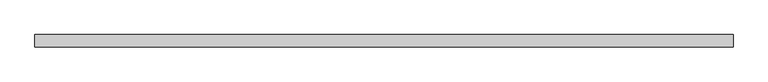
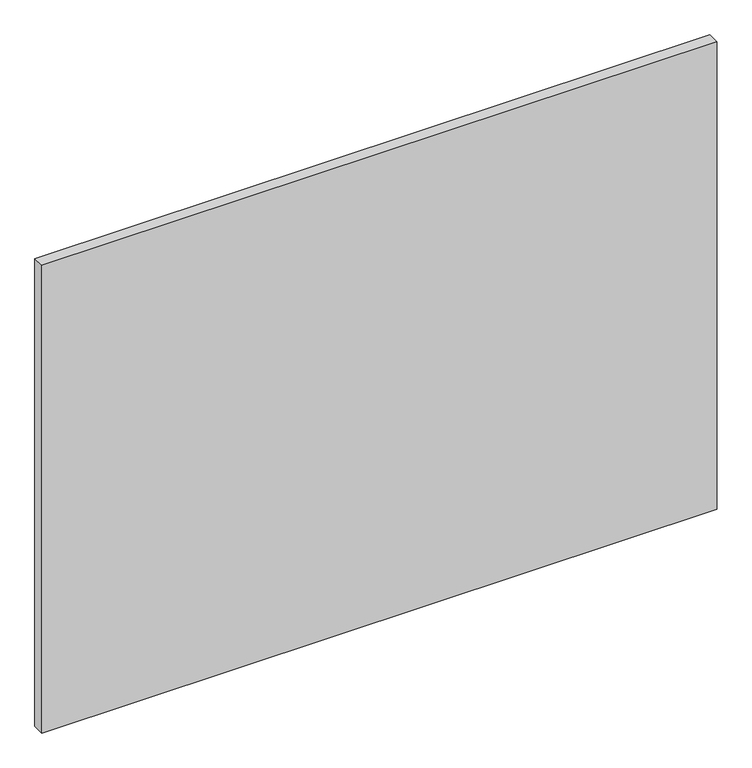
"""IFC4 building model written with IfcOpenShell, lengths in millimetres: plate geometry."""

import ifcopenshell
import ifcopenshell.guid

model = None  # the IFC model being written
_history = None  # IfcOwnerHistory: only IFC2X3 demands one
_inside = {}  # id of a spatial element -> (the spatial element, [elements in it])
_under = {}  # id of a project, library or spatial element -> (it, [spatial elements below it])
_declared = {}  # id of a project -> (the project, [libraries it declares])
_typed = {}  # id of a type object -> (the type object, [elements of that type])
_made_of = {}  # id of a material, layer set ... -> (it, [elements and type objects made of it])


def new_model(schema):
    """Start an empty IFC model of exactly this schema.

    Asked for "IFC4X3", IfcOpenShell would pick the latest addendum, in which some entities
    have other attributes; the version numbers below select the first issue.
    IFC2X3 requires an IfcOwnerHistory on every rooted entity: one is made here for all.
    """
    global model, _history
    if schema == "IFC4X3":
        model = ifcopenshell.file(schema_version=(4, 3, 0, 0))
    else:
        model = ifcopenshell.file(schema=schema)
    _inside.clear()
    _under.clear()
    _declared.clear()
    _typed.clear()
    _made_of.clear()
    _history = None
    if model.schema == "IFC2X3":
        org = make("IfcOrganization", Name="unknown")
        user = make(
            "IfcPersonAndOrganization",
            ThePerson=make("IfcPerson", FamilyName="unknown"),
            TheOrganization=org,
        )
        app = make(
            "IfcApplication",
            ApplicationDeveloper=org,
            Version="unknown",
            ApplicationFullName="unknown",
            ApplicationIdentifier="unknown",
        )
        _history = make(
            "IfcOwnerHistory",
            OwningUser=user,
            OwningApplication=app,
            ChangeAction="ADDED",
            CreationDate=0,
        )
    return model


def make(cls, **values):
    """One entity of the class cls with the attributes given. An attribute that is None is left unset."""
    return model.create_entity(
        cls, **{name: value for name, value in values.items() if value is not None}
    )


def rooted(cls, **values):
    """An entity with a GlobalId (a new one), such as an element, a storey or a relation."""
    return make(cls, GlobalId=ifcopenshell.guid.new(), OwnerHistory=_history, **values)


def si_unit(unit_type, name, prefix=None):
    """IfcSIUnit, for example si_unit("LENGTHUNIT", "METRE", prefix="MILLI")."""
    return make("IfcSIUnit", UnitType=unit_type, Prefix=prefix, Name=name)


def assignment(units):
    """IfcUnitAssignment: the units of a project."""
    return None if units is None else make("IfcUnitAssignment", Units=units)


def point(xyz):
    """IfcCartesianPoint."""
    return None if xyz is None else make("IfcCartesianPoint", Coordinates=xyz)


def direction(xyz):
    """IfcDirection."""
    return None if xyz is None else make("IfcDirection", DirectionRatios=xyz)


def frame(location, z_axis=None, x_axis=None):
    """IfcAxis2Placement3D, a coordinate frame: its origin and axes. An axis left out is left unset."""
    return make(
        "IfcAxis2Placement3D",
        Location=point(location),
        Axis=direction(z_axis),
        RefDirection=direction(x_axis),
    )


def origin():
    """The frame at (0, 0, 0) with its axes left unset."""
    return frame((0.0, 0.0, 0.0))


def origin_with_axes():
    """The frame at (0, 0, 0) with the z axis (0, 0, 1) and the x axis (1, 0, 0) written out."""
    return frame((0.0, 0.0, 0.0), z_axis=(0.0, 0.0, 1.0), x_axis=(1.0, 0.0, 0.0))


def place(relative_to, where):
    """IfcLocalPlacement: puts the frame where relative to a parent placement (None: the world)."""
    return make(
        "IfcLocalPlacement", PlacementRelTo=relative_to, RelativePlacement=where
    )


def context(
    kind, dimensions, precision=None, world=None, true_north=None, identifier=None
):
    """IfcGeometricRepresentationContext, for example the 3D "Model" context."""
    return make(
        "IfcGeometricRepresentationContext",
        ContextIdentifier=identifier,
        ContextType=kind,
        CoordinateSpaceDimension=dimensions,
        Precision=precision,
        WorldCoordinateSystem=world,
        TrueNorth=true_north,
    )


def project(units=None, contexts=None):
    """IfcProject with its units and contexts."""
    return rooted(
        "IfcProject",
        Name="project",
        RepresentationContexts=contexts,
        UnitsInContext=assignment(units),
    )


def spatial(cls, under=None, at=None, **own):
    """A site, building, storey or space (cls), placed at a placement, below another one or the project."""
    s = rooted(cls, ObjectPlacement=at, **own)
    if under is not None:
        _under.setdefault(under.id(), (under, []))[1].append(s)
    return s


def polyline(points):
    """IfcPolyline through the points."""
    return make("IfcPolyline", Points=[point(p) for p in points])


def outline(outer, holes=None, kind="AREA"):
    """IfcArbitraryClosedProfileDef: a profile drawn as a closed curve; with holes, ...WithVoids."""
    if holes is None:
        return make("IfcArbitraryClosedProfileDef", ProfileType=kind, OuterCurve=outer)
    return make(
        "IfcArbitraryProfileDefWithVoids",
        ProfileType=kind,
        OuterCurve=outer,
        InnerCurves=holes,
    )


def extrude(swept, where, along, depth):
    """IfcExtrudedAreaSolid: the profile swept, set in the frame where, extruded along a direction by depth."""
    return make(
        "IfcExtrudedAreaSolid",
        SweptArea=swept,
        Position=where,
        ExtrudedDirection=direction(along),
        Depth=depth,
    )


def shape(context_of_items, identifier, shape_type, items):
    """IfcShapeRepresentation: the items that make up one representation, for example the "Body"."""
    return make(
        "IfcShapeRepresentation",
        ContextOfItems=context_of_items,
        RepresentationIdentifier=identifier,
        RepresentationType=shape_type,
        Items=items,
    )


def source(mapping_origin, context_of_items, identifier, shape_type, items):
    """IfcRepresentationMap: a shape defined once, which mapped items show again and again."""
    return make(
        "IfcRepresentationMap",
        MappingOrigin=mapping_origin,
        MappedRepresentation=shape(context_of_items, identifier, shape_type, items),
    )


def transform(
    local_origin,
    x_axis=None,
    y_axis=None,
    z_axis=None,
    scale=None,
    scale2=None,
    scale3=None,
    uniform=True,
):
    """IfcCartesianTransformationOperator3D, or its non-uniform kind. x_axis, y_axis, z_axis: its Axis1, 2, 3."""
    if uniform:
        return make(
            "IfcCartesianTransformationOperator3D",
            Axis1=direction(x_axis),
            Axis2=direction(y_axis),
            LocalOrigin=point(local_origin),
            Scale=scale,
            Axis3=direction(z_axis),
        )
    return make(
        "IfcCartesianTransformationOperator3DnonUniform",
        Axis1=direction(x_axis),
        Axis2=direction(y_axis),
        LocalOrigin=point(local_origin),
        Scale=scale,
        Axis3=direction(z_axis),
        Scale2=scale2,
        Scale3=scale3,
    )


def mapped(mapping_source, mapping_target):
    """IfcMappedItem: shows the shape of a source again, moved by a transform."""
    return make(
        "IfcMappedItem", MappingSource=mapping_source, MappingTarget=mapping_target
    )


def made_of(thing, what):
    """Note that an element or type object is made of a material, layer set ...; save() writes the relation."""
    if what is not None:
        _made_of.setdefault(what.id(), (what, []))[1].append(thing)
    return thing


def element(
    cls,
    number,
    at=None,
    inside=None,
    cuts=None,
    type_object=None,
    material=None,
    context=None,
    identifier="Body",
    shape_type=None,
    held_by="IfcProductDefinitionShape",
    body=None,
    shapes=None,
    **own,
):
    """One element of the class cls, such as IfcWall. Its Tag is "e" and its number.

    at: its placement. inside: the storey or other place that contains it. cuts: it is an
    opening in that element (IfcRelVoidsElement). A single representation is given by context,
    identifier, shape_type and body (its items); several are given by shapes. held_by: the class
    of the entity that holds the representations. save() writes the other relations.
    """
    e = rooted(cls, Tag="e%d" % number, ObjectPlacement=at, **own)
    if body is not None:
        shapes = [shape(context, identifier, shape_type, body)]
    if shapes is not None:
        e.Representation = make(held_by, Representations=shapes)
    if inside is not None:
        _inside.setdefault(inside.id(), (inside, []))[1].append(e)
    if cuts is not None:
        rooted(
            "IfcRelVoidsElement", RelatingBuildingElement=cuts, RelatedOpeningElement=e
        )
    if type_object is not None:
        _typed.setdefault(type_object.id(), (type_object, []))[1].append(e)
    return made_of(e, material)


def aggregate(whole, parts):
    """IfcRelAggregates: a whole, such as a stair, and the parts it consists of."""
    return rooted("IfcRelAggregates", RelatingObject=whole, RelatedObjects=parts)


def save(model, path):
    """Write the relations noted so far, then the file.

    IfcRelAggregates (storeys below a building ...), IfcRelContainedInSpatialStructure (elements
    in a storey), IfcRelDefinesByType, IfcRelAssociatesMaterial and IfcRelDeclares: one each for
    every whole, place, type object, material and project.
    """
    for whole, parts in _under.values():
        aggregate(whole, parts)
    for where, things in _inside.values():
        rooted(
            "IfcRelContainedInSpatialStructure",
            RelatedElements=things,
            RelatingStructure=where,
        )
    for kind, things in _typed.values():
        rooted("IfcRelDefinesByType", RelatedObjects=things, RelatingType=kind)
    for what, things in _made_of.values():
        rooted("IfcRelAssociatesMaterial", RelatedObjects=things, RelatingMaterial=what)
    for by, libraries in _declared.values():
        rooted("IfcRelDeclares", RelatingContext=by, RelatedDefinitions=libraries)
    model.write(path)


def plate_8ac94153(model_context):
    return source(origin(), model_context, "Body", "SweptSolid", [
        extrude(outline(polyline([(560.0, 20.0), (-560.0, 20.0), (-560.0, 40.0), (560.0, 40.0), (560.0, 20.0)])), origin_with_axes(), (0.0, 0.0, 1.0), 820.0),
    ])


if __name__ == "__main__":
    model = new_model("IFC4")
    model_context = context("Model", 3, world=origin())
    ifc_project = project(units=[si_unit("LENGTHUNIT", "METRE", prefix="MILLI")], contexts=[model_context])
    site = spatial("IfcSite", under=ifc_project)
    building = spatial("IfcBuilding", under=site)
    placement = place(None, origin())
    plate_shape = plate_8ac94153(model_context)
    element("IfcPlate", 1, at=placement, inside=building, context=model_context, shape_type="MappedRepresentation", body=[
        mapped(plate_shape, transform((0.0, 0.0, 0.0), x_axis=(1.0, 0.0, 0.0), y_axis=(0.0, 1.0, 0.0), z_axis=(0.0, 0.0, 1.0))),
    ])
    save(model, "model.ifc")
